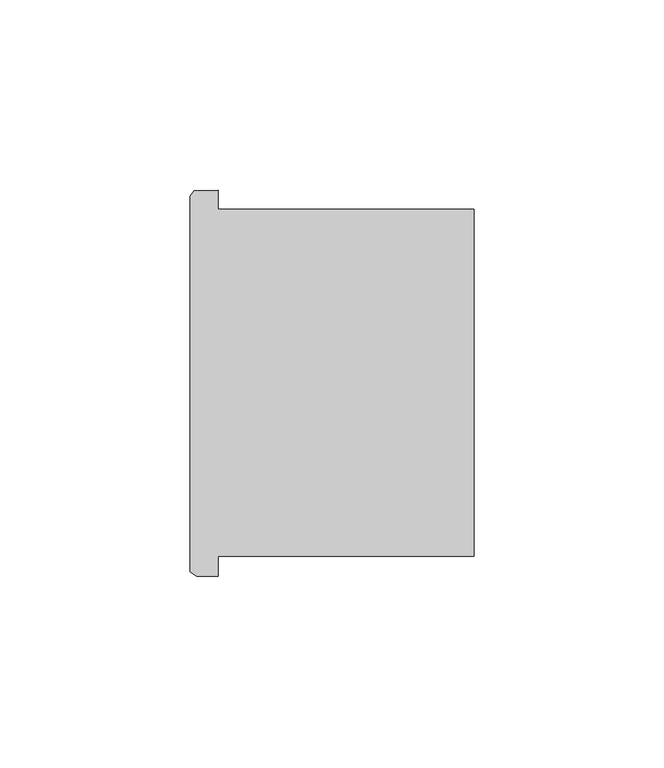
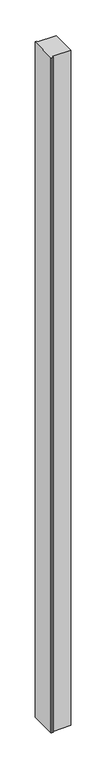
"""IFC4 building model written with IfcOpenShell, lengths in millimetres: column geometry."""

from ifc_helpers import new_model, si_unit, frame, origin, place, context, project, spatial, polyline, outline, extrude, source, transform, mapped, element, save


def column_ccd3a101(model_context):
    return source(origin(), model_context, "Body", "SweptSolid", [
        extrude(outline(polyline([(78009.3469274, -42552.339076), (78009.3469274, -42557.430252), (78076.642043, -42557.430252), (78076.642043, -42648.6401788), (78009.3469274, -42648.6401788), (78009.3469274, -42653.939076), (78003.654254, -42653.939076), (78001.886922, -42652.7050424), (78001.886922, -42553.9824052), (78002.9721116, -42552.4941176), (78009.3469274, -42552.339076)])), frame((0.0, 0.0, 4419.601524), z_axis=(0.0, 0.0, 1.0), x_axis=(1.0, 0.0, 0.0)), (0.0, 0.0, 1.0), 2590.8000562),
        extrude(outline(polyline([(78009.3469274, -42552.339076), (78009.3469274, -42557.430252), (78076.642043, -42557.430252), (78076.642043, -42648.6401788), (78009.3469274, -42648.6401788), (78009.3469274, -42653.939076), (78003.654254, -42653.939076), (78001.886922, -42652.7050424), (78001.886922, -42553.9824052), (78002.9721116, -42552.4941176), (78009.3469274, -42552.339076)])), frame((0.0, 0.0, 4419.601524), z_axis=(0.0, 0.0, 1.0), x_axis=(1.0, 0.0, 0.0)), (0.0, 0.0, 1.0), 2590.8000562),
    ])


if __name__ == "__main__":
    model = new_model("IFC4")
    model_context = context("Model", 3, world=origin())
    ifc_project = project(units=[si_unit("LENGTHUNIT", "METRE", prefix="MILLI")], contexts=[model_context])
    site = spatial("IfcSite", under=ifc_project)
    building = spatial("IfcBuilding", under=site)
    placement = place(None, origin())
    column_shape = column_ccd3a101(model_context)
    element("IfcColumn", 1, at=placement, inside=building, context=model_context, shape_type="MappedRepresentation", body=[
        mapped(column_shape, transform((0.0, 0.0, 0.0), x_axis=(1.0, 0.0, 0.0), y_axis=(0.0, 1.0, 0.0), z_axis=(0.0, 0.0, 1.0))),
    ])
    save(model, "model.ifc")
